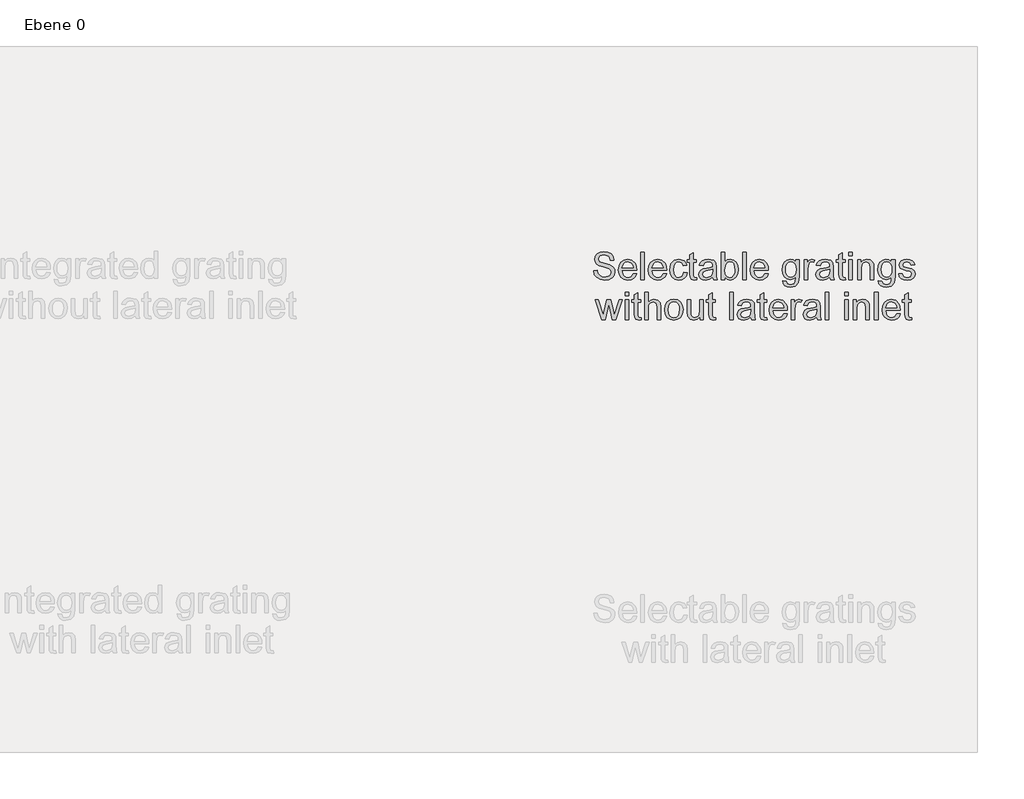
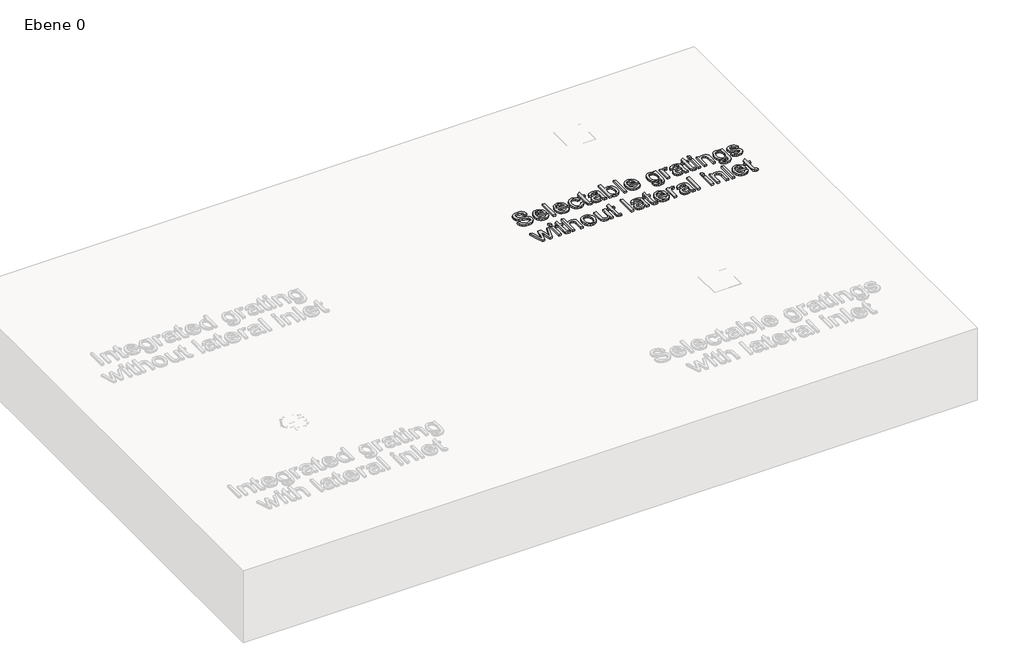
# One storey, part 4 of 4: 1 proxy.
"""IFC4 building model written with IfcOpenShell, lengths in millimetres."""

from ifc_helpers import new_model, si_unit, origin, origin_with_axes, place, context, project, spatial, polyline, outline, extrude, element, save

model = new_model("IFC4")

# Units and contexts
model_context = context("Model", 3, world=origin())
ifc_project = project(units=[si_unit("LENGTHUNIT", "METRE", prefix="MILLI")], contexts=[model_context])

# Site, building, storey
site = spatial("IfcSite", under=ifc_project)
building = spatial("IfcBuilding", under=site)
storey = spatial("IfcBuildingStorey", under=building, Name="Ebene 0", Elevation=0.0)

# Proxy
placement = place(None, origin())
element("IfcBuildingElementProxy", 1, Name="100mm ACO", ObjectType="100mm ACO", at=placement, inside=storey, context=model_context, shape_type="SweptSolid", body=[
    extrude(outline(polyline([(7949.8810942, -3021.4648568), (7947.8700988, -3012.5709043), (7943.3996127, -3006.2015466), (7927.0801683, -3001.0944865), (7911.4551683, -3005.0730744), (7906.9412794, -3009.9595038), (7905.4366497, -3016.6616161), (7909.9071359, -3026.7165929), (7928.0928997, -3033.0099957), (7947.9279692, -3038.4932133), (7961.0790109, -3047.4197179), (7965.1805734, -3054.5016045), (7966.5477609, -3063.6523568), (7964.0412504, -3075.4904645), (7956.5217192, -3085.1367318), (7944.9729634, -3091.5494923), (7930.3787794, -3093.6870791), (7912.3955618, -3091.3143939), (7899.5917423, -3084.1963383), (7891.7792423, -3073.3022411), (7888.7699831, -3059.6014309), (7901.732946, -3058.5018939), (7904.362431, -3069.3779066), (7910.5726451, -3076.8323337), (7919.4087273, -3081.1400594), (7929.9158164, -3082.5759679), (7947.045446, -3077.8450652), (7951.9499599, -3072.2714251), (7953.5847979, -3065.0123105), (7951.8957065, -3057.6844749), (7946.8284321, -3052.6569865), (7923.5500757, -3045.2061763), (7909.3392828, -3040.8658985), (7899.7508859, -3034.9920559), (7894.2929865, -3027.3640177), (7892.4736868, -3017.7611531), (7894.7559495, -3006.7657828), (7901.6027377, -2997.8537457), (7912.3847111, -2991.9509679), (7926.4725294, -2989.9833754), (7941.0341613, -2991.9654355), (7952.4273905, -2997.9116161), (7959.936071, -3007.50363), (7962.8440571, -3020.4231902), (7949.8810942, -3021.4648568)])), origin_with_axes(), (0.0, 0.0, 1.0), 10.0),
    extrude(outline(polyline([(8046.1773905, -3058.5018939), (7992.4736868, -3058.5018939), (7994.5461694, -3069.6274726), (7999.2589877, -3077.7727272), (8006.0406717, -3082.7640466), (8014.3197516, -3084.4278198), (8025.9950988, -3080.7385837), (8033.2144275, -3069.613005), (8046.1773905, -3071.1176346), (8041.8009437, -3080.7385837), (8034.8637331, -3087.8421716), (8025.6189414, -3092.2258522), (8014.3197516, -3093.6870791), (7999.7328014, -3091.1805686), (7988.7265803, -3083.6610374), (7981.8146879, -3071.8012284), (7979.5107238, -3056.2738846), (7981.7314993, -3040.7356902), (7988.3938257, -3028.4382365), (7999.0926104, -3020.430424), (8013.4227609, -3017.7611531), (8028.6426683, -3021.2189078), (8041.0703303, -3032.9955281), (8044.9006254, -3043.5315524), (8046.1773905, -3058.5018939)]), holes=[polyline([(8033.2144275, -3049.2426346), (8031.1310942, -3039.0863846), (8026.3857238, -3032.2287457), (8013.1044738, -3027.0204124), (8005.248571, -3028.5684448), (7998.9262331, -3033.212542), (7992.4736868, -3049.2426346), (8033.2144275, -3049.2426346)])]), origin_with_axes(), (0.0, 0.0, 1.0), 10.0),
    extrude(outline(polyline([(8073.9551683, -3091.8352272), (8060.9922053, -3091.8352272), (8060.9922053, -2991.8352272), (8073.9551683, -2991.8352272), (8073.9551683, -3091.8352272)])), origin_with_axes(), (0.0, 0.0, 1.0), 10.0),
    extrude(outline(polyline([(8155.4366497, -3058.5018939), (8101.732946, -3058.5018939), (8103.8054287, -3069.6274726), (8108.518247, -3077.7727272), (8115.299931, -3082.7640466), (8123.5790109, -3084.4278198), (8135.2543581, -3080.7385837), (8142.4736868, -3069.613005), (8155.4366497, -3071.1176346), (8151.060203, -3080.7385837), (8144.1229923, -3087.8421716), (8134.8782007, -3092.2258522), (8123.5790109, -3093.6870791), (8108.9920606, -3091.1805686), (8097.9858396, -3083.6610374), (8091.0739472, -3071.8012284), (8088.7699831, -3056.2738846), (8090.9907585, -3040.7356902), (8097.6530849, -3028.4382365), (8108.3518696, -3020.430424), (8122.6820201, -3017.7611531), (8137.9019275, -3021.2189078), (8150.3295896, -3032.9955281), (8154.1598847, -3043.5315524), (8155.4366497, -3058.5018939)]), holes=[polyline([(8142.4736868, -3049.2426346), (8140.3903534, -3039.0863846), (8135.6449831, -3032.2287457), (8122.3637331, -3027.0204124), (8114.5078303, -3028.5684448), (8108.1854923, -3033.212542), (8101.732946, -3049.2426346), (8142.4736868, -3049.2426346)])]), origin_with_axes(), (0.0, 0.0, 1.0), 10.0),
    extrude(outline(polyline([(8231.3625757, -3067.3849957), (8227.3333511, -3079.1905513), (8220.164659, -3087.3502735), (8210.8402956, -3092.1028777), (8200.3440571, -3093.6870791), (8186.0283743, -3091.09738), (8175.3729923, -3083.3282828), (8168.7540687, -3071.2840119), (8166.5477609, -3055.868792), (8171.5824831, -3033.1836068), (8184.1837562, -3021.2189078), (8200.0836405, -3017.7611531), (8219.5425525, -3023.4179818), (8226.0782875, -3030.4022122), (8229.5107238, -3040.0412457), (8216.5477609, -3041.8352272), (8210.6449831, -3030.7385837), (8200.2283164, -3027.0204124), (8191.2728766, -3028.9048163), (8184.7769275, -3034.5580281), (8180.8272747, -3043.5894228), (8179.5107238, -3055.6083754), (8180.8308916, -3067.837108), (8184.7913951, -3076.9191392), (8191.2403245, -3082.5506497), (8200.0257701, -3084.4278198), (8212.6270433, -3079.7981902), (8218.3996127, -3065.9093013), (8231.3625757, -3067.3849957)])), origin_with_axes(), (0.0, 0.0, 1.0), 10.0),
    extrude(outline(polyline([(8266.5477609, -3092.8479587), (8257.4621127, -3093.6870791), (8245.873571, -3090.8080281), (8241.4320201, -3083.5018939), (8240.6218349, -3071.175505), (8240.6218349, -3028.8722642), (8231.3625757, -3028.8722642), (8231.3625757, -3019.613005), (8240.6218349, -3019.613005), (8240.6218349, -3001.2680976), (8253.5847979, -2993.6870791), (8253.5847979, -3019.613005), (8264.695909, -3019.613005), (8264.695909, -3028.8722642), (8253.5847979, -3028.8722642), (8253.5847979, -3073.7796716), (8254.6264646, -3081.9972642), (8259.9216034, -3084.4278198), (8264.9563257, -3084.4278198), (8266.5477609, -3092.8479587)])), origin_with_axes(), (0.0, 0.0, 1.0), 10.0),
    extrude(outline(polyline([(8340.6218349, -3091.8352272), (8327.658872, -3091.8352272), (8323.9551683, -3083.0968013), (8311.4624021, -3091.0395096), (8298.0003071, -3093.6870791), (8288.0140514, -3092.2403198), (8280.393247, -3087.900042), (8275.5646879, -3081.1870791), (8273.9551683, -3072.6222642), (8275.5321359, -3064.3142492), (8280.2630386, -3057.6193707), (8288.8929576, -3052.7257075), (8302.1669738, -3049.8213383), (8313.5095664, -3048.0852272), (8323.9551683, -3045.5389309), (8323.6224136, -3037.509417), (8321.6837562, -3032.6338383), (8316.5188257, -3028.5684448), (8306.9412794, -3027.0204124), (8294.8608396, -3030.15988), (8288.7699831, -3041.8352272), (8275.8070201, -3040.243792), (8279.362431, -3030.4347642), (8286.0356081, -3023.4035142), (8295.8193176, -3019.1717434), (8308.7063257, -3017.7611531), (8327.9626914, -3021.6240004), (8335.5147747, -3030.94113), (8336.9181312, -3044.9891624), (8336.9181312, -3061.5111531), (8337.4678997, -3081.7657828), (8340.6218349, -3091.8352272)]), holes=[polyline([(8323.9551683, -3059.4278198), (8323.9551683, -3054.7981902), (8300.6768118, -3060.1222642), (8290.3578014, -3064.180424), (8286.9181312, -3072.4197179), (8290.6218349, -3081.0424031), (8301.2989183, -3084.4278198), (8317.111997, -3078.7565235), (8322.2443754, -3071.0886994), (8323.9551683, -3059.4278198)])]), origin_with_axes(), (0.0, 0.0, 1.0), 10.0),
    extrude(outline(polyline([(8368.5732238, -3026.7599957), (8376.9354923, -3020.0108638), (8388.0176683, -3017.7611531), (8400.4417134, -3020.3074494), (8410.1096821, -3027.9463383), (8416.3271301, -3039.6940235), (8418.3996127, -3054.5667087), (8416.1209669, -3071.3020964), (8409.2850294, -3083.603167), (8399.3964298, -3091.166101), (8387.9597979, -3093.6870791), (8376.9427261, -3091.2131207), (8368.6600294, -3083.7912457), (8368.3996127, -3091.8352272), (8355.4366497, -3091.8352272), (8355.4366497, -2991.8352272), (8368.3996127, -2991.8352272), (8368.5732238, -3026.7599957)]), holes=[polyline([(8386.7445201, -3084.4278198), (8394.1627782, -3082.5361821), (8400.1559784, -3076.8612689), (8404.1164819, -3067.76477), (8405.4366497, -3055.6083754), (8400.5755386, -3034.7316392), (8394.7885016, -3028.9482191), (8387.1496127, -3027.0204124), (8379.5251914, -3029.0097064), (8373.5500757, -3034.9775883), (8368.3996127, -3055.1164772), (8370.5408164, -3072.0724957), (8376.9933627, -3080.7675189), (8386.7445201, -3084.4278198)])]), origin_with_axes(), (0.0, 0.0, 1.0), 10.0),
    extrude(outline(polyline([(8446.1773905, -3091.8352272), (8433.2144275, -3091.8352272), (8433.2144275, -2991.8352272), (8446.1773905, -2991.8352272), (8446.1773905, -3091.8352272)])), origin_with_axes(), (0.0, 0.0, 1.0), 10.0),
    extrude(outline(polyline([(8527.658872, -3058.5018939), (8473.9551683, -3058.5018939), (8476.0276509, -3069.6274726), (8480.7404692, -3077.7727272), (8487.5221532, -3082.7640466), (8495.8012331, -3084.4278198), (8507.4765803, -3080.7385837), (8514.695909, -3069.613005), (8527.658872, -3071.1176346), (8523.2824252, -3080.7385837), (8516.3452146, -3087.8421716), (8507.1004229, -3092.2258522), (8495.8012331, -3093.6870791), (8481.2142828, -3091.1805686), (8470.2080618, -3083.6610374), (8463.2961694, -3071.8012284), (8460.9922053, -3056.2738846), (8463.2129808, -3040.7356902), (8469.8753071, -3028.4382365), (8480.5740919, -3020.430424), (8494.9042423, -3017.7611531), (8510.1241497, -3021.2189078), (8522.5518118, -3032.9955281), (8526.3821069, -3043.5315524), (8527.658872, -3058.5018939)]), holes=[polyline([(8514.695909, -3049.2426346), (8512.6125757, -3039.0863846), (8507.8672053, -3032.2287457), (8494.5859553, -3027.0204124), (8486.7300525, -3028.5684448), (8480.4077146, -3033.212542), (8473.9551683, -3049.2426346), (8514.695909, -3049.2426346)])]), origin_with_axes(), (0.0, 0.0, 1.0), 10.0),
    extrude(outline(polyline([(8640.6218349, -3081.1870791), (8637.5691729, -3103.8288615), (8626.7040109, -3115.4608059), (8608.0408164, -3119.613005), (8596.8248153, -3118.2060316), (8587.6559784, -3113.9851115), (8581.5470375, -3106.5596196), (8579.5107238, -3095.5389309), (8592.4736868, -3097.5933291), (8597.045446, -3107.1564078), (8608.2433627, -3110.3537457), (8621.5535479, -3106.6645096), (8626.7184784, -3097.6801346), (8627.658872, -3083.0678661), (8618.8842771, -3089.6433869), (8608.0697516, -3091.8352272), (8595.6782585, -3089.2238267), (8585.9922053, -3081.3896254), (8579.7422053, -3069.576836), (8577.658872, -3055.0296716), (8579.6409321, -3040.3884679), (8585.5871127, -3028.4093013), (8595.0344507, -3020.4231902), (8607.5199831, -3017.7611531), (8618.5949252, -3020.1410721), (8627.3984553, -3027.2808291), (8627.658872, -3019.613005), (8640.6218349, -3019.613005), (8640.6218349, -3081.1870791)]), holes=[polyline([(8610.008409, -3082.5759679), (8617.2205039, -3080.9700652), (8623.5790109, -3076.1523568), (8628.0277956, -3067.5586068), (8629.5107238, -3054.6245791), (8628.0965166, -3042.837108), (8623.8538951, -3034.1529355), (8617.5279403, -3028.8035432), (8609.8637331, -3027.0204124), (8602.1416555, -3028.846946), (8595.9893118, -3034.3265466), (8591.9637041, -3042.9817839), (8590.6218349, -3054.3352272), (8592.0288083, -3067.0522411), (8596.2497284, -3075.8051346), (8602.5033453, -3080.8832596), (8610.008409, -3082.5759679)])]), origin_with_axes(), (0.0, 0.0, 1.0), 10.0),
    extrude(outline(polyline([(8698.0292423, -3020.5968013), (8693.9783164, -3028.8722642), (8685.471372, -3027.0204124), (8679.6771011, -3028.6480166), (8675.4887331, -3033.5308291), (8672.1033164, -3051.7599957), (8672.1033164, -3091.8352272), (8659.1403534, -3091.8352272), (8659.1403534, -3019.613005), (8670.2514646, -3019.613005), (8670.2514646, -3030.3190235), (8677.1814414, -3020.9006207), (8685.6160479, -3017.7611531), (8698.0292423, -3020.5968013)])), origin_with_axes(), (0.0, 0.0, 1.0), 10.0),
    extrude(outline(polyline([(8768.3996127, -3091.8352272), (8755.4366497, -3091.8352272), (8751.732946, -3083.0968013), (8739.2401798, -3091.0395096), (8725.7780849, -3093.6870791), (8715.7918291, -3092.2403198), (8708.1710247, -3087.900042), (8703.3424657, -3081.1870791), (8701.732946, -3072.6222642), (8703.3099136, -3064.3142492), (8708.0408164, -3057.6193707), (8716.6707354, -3052.7257075), (8729.9447516, -3049.8213383), (8741.2873442, -3048.0852272), (8751.732946, -3045.5389309), (8751.4001914, -3037.509417), (8749.461534, -3032.6338383), (8744.2966034, -3028.5684448), (8734.7190571, -3027.0204124), (8722.6386173, -3030.15988), (8716.5477609, -3041.8352272), (8703.5847979, -3040.243792), (8707.1402088, -3030.4347642), (8713.8133859, -3023.4035142), (8723.5970953, -3019.1717434), (8736.4841034, -3017.7611531), (8755.7404692, -3021.6240004), (8763.2925525, -3030.94113), (8764.695909, -3044.9891624), (8764.695909, -3061.5111531), (8765.2456775, -3081.7657828), (8768.3996127, -3091.8352272)]), holes=[polyline([(8751.732946, -3059.4278198), (8751.732946, -3054.7981902), (8728.4545896, -3060.1222642), (8718.1355791, -3064.180424), (8714.695909, -3072.4197179), (8718.3996127, -3081.0424031), (8729.076696, -3084.4278198), (8744.8897747, -3078.7565235), (8750.0221532, -3071.0886994), (8751.732946, -3059.4278198)])]), origin_with_axes(), (0.0, 0.0, 1.0), 10.0),
    extrude(outline(polyline([(8810.9922053, -3092.8479587), (8801.9065571, -3093.6870791), (8790.3180155, -3090.8080281), (8785.8764646, -3083.5018939), (8785.0662794, -3071.175505), (8785.0662794, -3028.8722642), (8775.8070201, -3028.8722642), (8775.8070201, -3019.613005), (8785.0662794, -3019.613005), (8785.0662794, -3001.2680976), (8798.0292423, -2993.6870791), (8798.0292423, -3019.613005), (8809.1403534, -3019.613005), (8809.1403534, -3028.8722642), (8798.0292423, -3028.8722642), (8798.0292423, -3073.7796716), (8799.070909, -3081.9972642), (8804.3660479, -3084.4278198), (8809.4007701, -3084.4278198), (8810.9922053, -3092.8479587)])), origin_with_axes(), (0.0, 0.0, 1.0), 10.0),
    extrude(outline(polyline([(8835.0662794, -3091.8352272), (8822.1033164, -3091.8352272), (8822.1033164, -3019.613005), (8835.0662794, -3019.613005), (8835.0662794, -3091.8352272)])), origin_with_axes(), (0.0, 0.0, 1.0), 10.0),
    extrude(outline(polyline([(8835.0662794, -3004.7981902), (8822.1033164, -3004.7981902), (8822.1033164, -2991.8352272), (8835.0662794, -2991.8352272), (8835.0662794, -3004.7981902)])), origin_with_axes(), (0.0, 0.0, 1.0), 10.0),
    extrude(outline(polyline([(8912.8440571, -3091.8352272), (8899.8810942, -3091.8352272), (8899.8810942, -3046.8699494), (8896.018247, -3031.2738846), (8885.2688257, -3027.0204124), (8875.242784, -3029.7403198), (8868.529821, -3037.4081439), (8866.5477609, -3051.4127735), (8866.5477609, -3091.8352272), (8853.5847979, -3091.8352272), (8853.5847979, -3019.613005), (8864.695909, -3019.613005), (8864.695909, -3029.6535142), (8874.5917423, -3020.7270096), (8887.8440571, -3017.7611531), (8899.2155849, -3019.8155513), (8908.0118812, -3025.9642781), (8912.0194044, -3034.7027041), (8912.8440571, -3047.2461068), (8912.8440571, -3091.8352272)])), origin_with_axes(), (0.0, 0.0, 1.0), 10.0),
    extrude(outline(polyline([(8990.6218349, -3081.1870791), (8987.5691729, -3103.8288615), (8976.7040109, -3115.4608059), (8958.0408164, -3119.613005), (8946.8248153, -3118.2060316), (8937.6559784, -3113.9851115), (8931.5470375, -3106.5596196), (8929.5107238, -3095.5389309), (8942.4736868, -3097.5933291), (8947.045446, -3107.1564078), (8958.2433627, -3110.3537457), (8971.5535479, -3106.6645096), (8976.7184784, -3097.6801346), (8977.658872, -3083.0678661), (8968.8842771, -3089.6433869), (8958.0697516, -3091.8352272), (8945.6782585, -3089.2238267), (8935.9922053, -3081.3896254), (8929.7422053, -3069.576836), (8927.658872, -3055.0296716), (8929.6409321, -3040.3884679), (8935.5871127, -3028.4093013), (8945.0344507, -3020.4231902), (8957.5199831, -3017.7611531), (8968.5949252, -3020.1410721), (8977.3984553, -3027.2808291), (8977.658872, -3019.613005), (8990.6218349, -3019.613005), (8990.6218349, -3081.1870791)]), holes=[polyline([(8960.008409, -3082.5759679), (8967.2205039, -3080.9700652), (8973.5790109, -3076.1523568), (8978.0277956, -3067.5586068), (8979.5107238, -3054.6245791), (8978.0965166, -3042.837108), (8973.8538951, -3034.1529355), (8967.5279403, -3028.8035432), (8959.8637331, -3027.0204124), (8952.1416555, -3028.846946), (8945.9893118, -3034.3265466), (8941.9637041, -3042.9817839), (8940.6218349, -3054.3352272), (8942.0288083, -3067.0522411), (8946.2497284, -3075.8051346), (8952.5033453, -3080.8832596), (8960.008409, -3082.5759679)])]), origin_with_axes(), (0.0, 0.0, 1.0), 10.0),
    extrude(outline(polyline([(9049.8810942, -3039.9833754), (9045.092321, -3030.2611531), (9034.0246127, -3027.0204124), (9022.7109553, -3029.7981902), (9018.3996127, -3037.8711068), (9021.2497284, -3045.0180976), (9034.690122, -3048.8954124), (9052.4129229, -3053.0620791), (9061.4551683, -3059.384417), (9064.695909, -3070.712542), (9062.6849136, -3079.6426635), (9056.6519275, -3087.0464541), (9047.2552261, -3092.0269228), (9035.1530849, -3093.6870791), (9022.6784032, -3092.2909564), (9013.2636173, -3088.1025883), (9006.9014935, -3081.1292087), (9003.5847979, -3071.3780513), (9016.5477609, -3069.613005), (9022.1467192, -3080.7385837), (9035.1530849, -3084.4278198), (9047.4505386, -3080.5939078), (9051.732946, -3071.2623105), (9049.8087562, -3065.2871948), (9045.0055155, -3061.9162457), (9031.420446, -3059.0227272), (9010.4858396, -3051.2102272), (9005.4366497, -3038.6234216), (9007.3065861, -3030.337108), (9012.9163951, -3023.6494633), (9021.6873731, -3019.2332307), (9033.0408164, -3017.7611531), (9044.9729634, -3019.0487689), (9053.9175525, -3022.9116161), (9059.8745838, -3029.342461), (9062.8440571, -3038.3340698), (9049.8810942, -3039.9833754)])), origin_with_axes(), (0.0, 0.0, 1.0), 10.0),
    extrude(outline(polyline([(7993.8625757, -3165.9093013), (7969.6438257, -3238.1315235), (7957.3753071, -3238.1315235), (7946.8718349, -3194.7287457), (7945.5697516, -3188.8693707), (7944.3255386, -3182.4602272), (7931.565122, -3238.1315235), (7919.3255386, -3238.1315235), (7894.7885016, -3165.9093013), (7906.3336405, -3165.9093013), (7923.9551683, -3223.1430976), (7926.0674368, -3213.3919402), (7937.0917423, -3165.9093013), (7951.6750757, -3165.9093013), (7960.4135016, -3203.7854587), (7964.4644275, -3221.5805976), (7982.3174368, -3165.9093013), (7993.8625757, -3165.9093013)])), origin_with_axes(), (0.0, 0.0, 1.0), 10.0),
    extrude(outline(polyline([(8017.4736868, -3238.1315235), (8004.5107238, -3238.1315235), (8004.5107238, -3165.9093013), (8017.4736868, -3165.9093013), (8017.4736868, -3238.1315235)])), origin_with_axes(), (0.0, 0.0, 1.0), 10.0),
    extrude(outline(polyline([(8017.4736868, -3151.0944865), (8004.5107238, -3151.0944865), (8004.5107238, -3138.1315235), (8017.4736868, -3138.1315235), (8017.4736868, -3151.0944865)])), origin_with_axes(), (0.0, 0.0, 1.0), 10.0),
    extrude(outline(polyline([(8063.7699831, -3239.144255), (8054.6843349, -3239.9833754), (8043.0957933, -3237.1043244), (8038.6542423, -3229.7981902), (8037.8440571, -3217.4718013), (8037.8440571, -3175.1685605), (8028.5847979, -3175.1685605), (8028.5847979, -3165.9093013), (8037.8440571, -3165.9093013), (8037.8440571, -3147.5643939), (8050.8070201, -3139.9833754), (8050.8070201, -3165.9093013), (8061.9181312, -3165.9093013), (8061.9181312, -3175.1685605), (8050.8070201, -3175.1685605), (8050.8070201, -3220.0759679), (8051.8486868, -3228.2935605), (8057.1438257, -3230.7241161), (8062.1785479, -3230.7241161), (8063.7699831, -3239.144255)])), origin_with_axes(), (0.0, 0.0, 1.0), 10.0),
    extrude(outline(polyline([(8134.1403534, -3238.1315235), (8121.1773905, -3238.1315235), (8121.1773905, -3191.4301346), (8117.4881544, -3177.8450652), (8106.4783164, -3173.3167087), (8093.5442886, -3178.6552504), (8089.269115, -3186.087976), (8087.8440571, -3197.7090698), (8087.8440571, -3238.1315235), (8074.8810942, -3238.1315235), (8074.8810942, -3138.1315235), (8087.8440571, -3138.1315235), (8087.8440571, -3173.9532828), (8097.544578, -3166.5314078), (8109.4007701, -3164.0574494), (8122.6820201, -3166.9220328), (8131.5795896, -3175.7327966), (8134.1403534, -3192.2403198), (8134.1403534, -3238.1315235)])), origin_with_axes(), (0.0, 0.0, 1.0), 10.0),
    extrude(outline(polyline([(8182.2595664, -3164.0574494), (8195.4359264, -3166.451836), (8206.1455618, -3173.6349957), (8213.2527666, -3185.2307712), (8215.6218349, -3200.863005), (8213.0574541, -3219.1355744), (8205.3643118, -3231.1292087), (8194.4593639, -3237.7698337), (8182.2595664, -3239.9833754), (8169.669144, -3237.7083464), (8158.8654692, -3230.8832596), (8151.4327435, -3219.1174899), (8148.9551683, -3202.0204124), (8151.3495548, -3185.3031091), (8158.5327146, -3173.4613846), (8169.2532007, -3166.4084332), (8182.2595664, -3164.0574494)]), holes=[polyline([(8182.2595664, -3230.7241161), (8191.0667134, -3228.7167376), (8197.4650062, -3222.6946022), (8202.658872, -3201.5574494), (8201.1904113, -3189.2744633), (8196.7850294, -3180.4347642), (8190.2167423, -3175.0962226), (8182.2595664, -3173.3167087), (8174.1468639, -3175.1215409), (8167.6328303, -3180.5360374), (8163.346806, -3189.5240293), (8161.9181312, -3202.0493476), (8163.3721243, -3214.5312631), (8167.7341034, -3223.5047874), (8174.2734553, -3228.9192839), (8182.2595664, -3230.7241161)])]), origin_with_axes(), (0.0, 0.0, 1.0), 10.0),
    extrude(outline(polyline([(8289.695909, -3238.1315235), (8278.5847979, -3238.1315235), (8278.5847979, -3227.6280513), (8268.3417423, -3236.8945443), (8255.3787794, -3239.9833754), (8241.258409, -3236.4677504), (8232.6067886, -3226.7889309), (8230.4366497, -3210.7877735), (8230.4366497, -3165.9093013), (8243.3996127, -3165.9093013), (8243.3996127, -3206.8815235), (8244.2966034, -3220.9729587), (8248.9841034, -3227.9752735), (8258.0118812, -3230.7241161), (8270.7578303, -3225.8051346), (8275.2391671, -3218.2530513), (8276.732946, -3205.4347642), (8276.732946, -3165.9093013), (8289.695909, -3165.9093013), (8289.695909, -3238.1315235)])), origin_with_axes(), (0.0, 0.0, 1.0), 10.0),
    extrude(outline(polyline([(8335.9922053, -3239.144255), (8326.9065571, -3239.9833754), (8315.3180155, -3237.1043244), (8310.8764646, -3229.7981902), (8310.0662794, -3217.4718013), (8310.0662794, -3175.1685605), (8300.8070201, -3175.1685605), (8300.8070201, -3165.9093013), (8310.0662794, -3165.9093013), (8310.0662794, -3147.5643939), (8323.0292423, -3139.9833754), (8323.0292423, -3165.9093013), (8334.1403534, -3165.9093013), (8334.1403534, -3175.1685605), (8323.0292423, -3175.1685605), (8323.0292423, -3220.0759679), (8324.070909, -3228.2935605), (8329.3660479, -3230.7241161), (8334.4007701, -3230.7241161), (8335.9922053, -3239.144255)])), origin_with_axes(), (0.0, 0.0, 1.0), 10.0),
    extrude(outline(polyline([(8398.9551683, -3238.1315235), (8385.9922053, -3238.1315235), (8385.9922053, -3138.1315235), (8398.9551683, -3138.1315235), (8398.9551683, -3238.1315235)])), origin_with_axes(), (0.0, 0.0, 1.0), 10.0),
    extrude(outline(polyline([(8480.4366497, -3238.1315235), (8467.4736868, -3238.1315235), (8463.7699831, -3229.3930976), (8451.2772169, -3237.3358059), (8437.815122, -3239.9833754), (8427.8288662, -3238.5366161), (8420.2080618, -3234.1963383), (8415.3795028, -3227.4833754), (8413.7699831, -3218.9185605), (8415.3469507, -3210.6105455), (8420.0778534, -3203.915667), (8428.7077724, -3199.0220038), (8441.9817886, -3196.1176346), (8453.3243812, -3194.3815235), (8463.7699831, -3191.8352272), (8463.4372284, -3183.8057133), (8461.498571, -3178.9301346), (8456.3336405, -3174.8647411), (8446.7560942, -3173.3167087), (8434.6756544, -3176.4561763), (8428.5847979, -3188.1315235), (8415.6218349, -3186.5400883), (8419.1772458, -3176.7310605), (8425.8504229, -3169.6998105), (8435.6341324, -3165.4680397), (8448.5211405, -3164.0574494), (8467.7775062, -3167.9202966), (8475.3295896, -3177.2374263), (8476.732946, -3191.2854587), (8476.732946, -3207.8074494), (8477.2827146, -3228.0620791), (8480.4366497, -3238.1315235)]), holes=[polyline([(8463.7699831, -3205.7241161), (8463.7699831, -3201.0944865), (8440.4916266, -3206.4185605), (8430.1726162, -3210.4767203), (8426.732946, -3218.7160142), (8430.4366497, -3227.3386994), (8441.1137331, -3230.7241161), (8456.9268118, -3225.0528198), (8462.0591903, -3217.3849957), (8463.7699831, -3205.7241161)])]), origin_with_axes(), (0.0, 0.0, 1.0), 10.0),
    extrude(outline(polyline([(8523.0292423, -3239.144255), (8513.9435942, -3239.9833754), (8502.3550525, -3237.1043244), (8497.9135016, -3229.7981902), (8497.1033164, -3217.4718013), (8497.1033164, -3175.1685605), (8487.8440571, -3175.1685605), (8487.8440571, -3165.9093013), (8497.1033164, -3165.9093013), (8497.1033164, -3147.5643939), (8510.0662794, -3139.9833754), (8510.0662794, -3165.9093013), (8521.1773905, -3165.9093013), (8521.1773905, -3175.1685605), (8510.0662794, -3175.1685605), (8510.0662794, -3220.0759679), (8511.107946, -3228.2935605), (8516.4030849, -3230.7241161), (8521.4378071, -3230.7241161), (8523.0292423, -3239.144255)])), origin_with_axes(), (0.0, 0.0, 1.0), 10.0),
    extrude(outline(polyline([(8597.1033164, -3204.7981902), (8543.3996127, -3204.7981902), (8545.4720953, -3215.9237689), (8550.1849136, -3224.0690235), (8556.9665977, -3229.0603429), (8565.2456775, -3230.7241161), (8576.9210247, -3227.03488), (8584.1403534, -3215.9093013), (8597.1033164, -3217.4139309), (8592.7268696, -3227.03488), (8585.789659, -3234.1384679), (8576.5448673, -3238.5221485), (8565.2456775, -3239.9833754), (8550.6587273, -3237.4768649), (8539.6525062, -3229.9573337), (8532.7406139, -3218.0975247), (8530.4366497, -3202.5701809), (8532.6574252, -3187.0319865), (8539.3197516, -3174.7345328), (8550.0185363, -3166.7267203), (8564.3486868, -3164.0574494), (8579.5685942, -3167.5152041), (8591.9962562, -3179.2918244), (8595.8265514, -3189.8278487), (8597.1033164, -3204.7981902)]), holes=[polyline([(8584.1403534, -3195.5389309), (8582.0570201, -3185.3826809), (8577.3116497, -3178.525042), (8564.0303997, -3173.3167087), (8556.174497, -3174.8647411), (8549.852159, -3179.5088383), (8543.3996127, -3195.5389309), (8584.1403534, -3195.5389309)])]), origin_with_axes(), (0.0, 0.0, 1.0), 10.0),
    extrude(outline(polyline([(8650.8070201, -3166.8930976), (8646.7560942, -3175.1685605), (8638.2491497, -3173.3167087), (8632.4548789, -3174.9443129), (8628.2665109, -3179.8271254), (8624.8810942, -3198.056292), (8624.8810942, -3238.1315235), (8611.9181312, -3238.1315235), (8611.9181312, -3165.9093013), (8623.0292423, -3165.9093013), (8623.0292423, -3176.6153198), (8629.9592192, -3167.196917), (8638.3938257, -3164.0574494), (8650.8070201, -3166.8930976)])), origin_with_axes(), (0.0, 0.0, 1.0), 10.0),
    extrude(outline(polyline([(8721.1773905, -3238.1315235), (8708.2144275, -3238.1315235), (8704.5107238, -3229.3930976), (8692.0179576, -3237.3358059), (8678.5558627, -3239.9833754), (8668.5696069, -3238.5366161), (8660.9488025, -3234.1963383), (8656.1202435, -3227.4833754), (8654.5107238, -3218.9185605), (8656.0876914, -3210.6105455), (8660.8185942, -3203.915667), (8669.4485132, -3199.0220038), (8682.7225294, -3196.1176346), (8694.065122, -3194.3815235), (8704.5107238, -3191.8352272), (8704.1779692, -3183.8057133), (8702.2393118, -3178.9301346), (8697.0743812, -3174.8647411), (8687.4968349, -3173.3167087), (8675.4163951, -3176.4561763), (8669.3255386, -3188.1315235), (8656.3625757, -3186.5400883), (8659.9179865, -3176.7310605), (8666.5911636, -3169.6998105), (8676.3748731, -3165.4680397), (8689.2618812, -3164.0574494), (8708.518247, -3167.9202966), (8716.0703303, -3177.2374263), (8717.4736868, -3191.2854587), (8717.4736868, -3207.8074494), (8718.0234553, -3228.0620791), (8721.1773905, -3238.1315235)]), holes=[polyline([(8704.5107238, -3205.7241161), (8704.5107238, -3201.0944865), (8681.2323673, -3206.4185605), (8670.9133569, -3210.4767203), (8667.4736868, -3218.7160142), (8671.1773905, -3227.3386994), (8681.8544738, -3230.7241161), (8697.6675525, -3225.0528198), (8702.799931, -3217.3849957), (8704.5107238, -3205.7241161)])]), origin_with_axes(), (0.0, 0.0, 1.0), 10.0),
    extrude(outline(polyline([(8748.9551683, -3238.1315235), (8735.9922053, -3238.1315235), (8735.9922053, -3138.1315235), (8748.9551683, -3138.1315235), (8748.9551683, -3238.1315235)])), origin_with_axes(), (0.0, 0.0, 1.0), 10.0),
    extrude(outline(polyline([(8819.3255386, -3151.0944865), (8806.3625757, -3151.0944865), (8806.3625757, -3138.1315235), (8819.3255386, -3138.1315235), (8819.3255386, -3151.0944865)])), origin_with_axes(), (0.0, 0.0, 1.0), 10.0),
    extrude(outline(polyline([(8819.3255386, -3238.1315235), (8806.3625757, -3238.1315235), (8806.3625757, -3165.9093013), (8819.3255386, -3165.9093013), (8819.3255386, -3238.1315235)])), origin_with_axes(), (0.0, 0.0, 1.0), 10.0),
    extrude(outline(polyline([(8897.1033164, -3238.1315235), (8884.1403534, -3238.1315235), (8884.1403534, -3193.1662457), (8880.2775062, -3177.5701809), (8869.5280849, -3173.3167087), (8859.5020433, -3176.0366161), (8852.7890803, -3183.7044402), (8850.8070201, -3197.7090698), (8850.8070201, -3238.1315235), (8837.8440571, -3238.1315235), (8837.8440571, -3165.9093013), (8848.9551683, -3165.9093013), (8848.9551683, -3175.9498105), (8858.8510016, -3167.0233059), (8872.1033164, -3164.0574494), (8883.4748442, -3166.1118476), (8892.2711405, -3172.2605744), (8896.2786636, -3180.9990004), (8897.1033164, -3193.5424031), (8897.1033164, -3238.1315235)])), origin_with_axes(), (0.0, 0.0, 1.0), 10.0),
    extrude(outline(polyline([(8928.5847979, -3238.1315235), (8915.6218349, -3238.1315235), (8915.6218349, -3138.1315235), (8928.5847979, -3138.1315235), (8928.5847979, -3238.1315235)])), origin_with_axes(), (0.0, 0.0, 1.0), 10.0),
    extrude(outline(polyline([(9010.0662794, -3204.7981902), (8956.3625757, -3204.7981902), (8958.4350583, -3215.9237689), (8963.1478766, -3224.0690235), (8969.9295606, -3229.0603429), (8978.2086405, -3230.7241161), (8989.8839877, -3227.03488), (8997.1033164, -3215.9093013), (9010.0662794, -3217.4139309), (9005.6898326, -3227.03488), (8998.752622, -3234.1384679), (8989.5078303, -3238.5221485), (8978.2086405, -3239.9833754), (8963.6216903, -3237.4768649), (8952.6154692, -3229.9573337), (8945.7035768, -3218.0975247), (8943.3996127, -3202.5701809), (8945.6203882, -3187.0319865), (8952.2827146, -3174.7345328), (8962.9814993, -3166.7267203), (8977.3116497, -3164.0574494), (8992.5315571, -3167.5152041), (9004.9592192, -3179.2918244), (9008.7895143, -3189.8278487), (9010.0662794, -3204.7981902)]), holes=[polyline([(8997.1033164, -3195.5389309), (8995.0199831, -3185.3826809), (8990.2746127, -3178.525042), (8976.9933627, -3173.3167087), (8969.1374599, -3174.8647411), (8962.815122, -3179.5088383), (8956.3625757, -3195.5389309), (8997.1033164, -3195.5389309)])]), origin_with_axes(), (0.0, 0.0, 1.0), 10.0),
    extrude(outline(polyline([(9052.658872, -3239.144255), (9043.5732238, -3239.9833754), (9031.9846821, -3237.1043244), (9027.5431312, -3229.7981902), (9026.732946, -3217.4718013), (9026.732946, -3175.1685605), (9017.4736868, -3175.1685605), (9017.4736868, -3165.9093013), (9026.732946, -3165.9093013), (9026.732946, -3147.5643939), (9039.695909, -3139.9833754), (9039.695909, -3165.9093013), (9050.8070201, -3165.9093013), (9050.8070201, -3175.1685605), (9039.695909, -3175.1685605), (9039.695909, -3220.0759679), (9040.7375757, -3228.2935605), (9046.0327146, -3230.7241161), (9051.0674368, -3230.7241161), (9052.658872, -3239.144255)])), origin_with_axes(), (0.0, 0.0, 1.0), 10.0),
])

save(model, "model.ifc")
